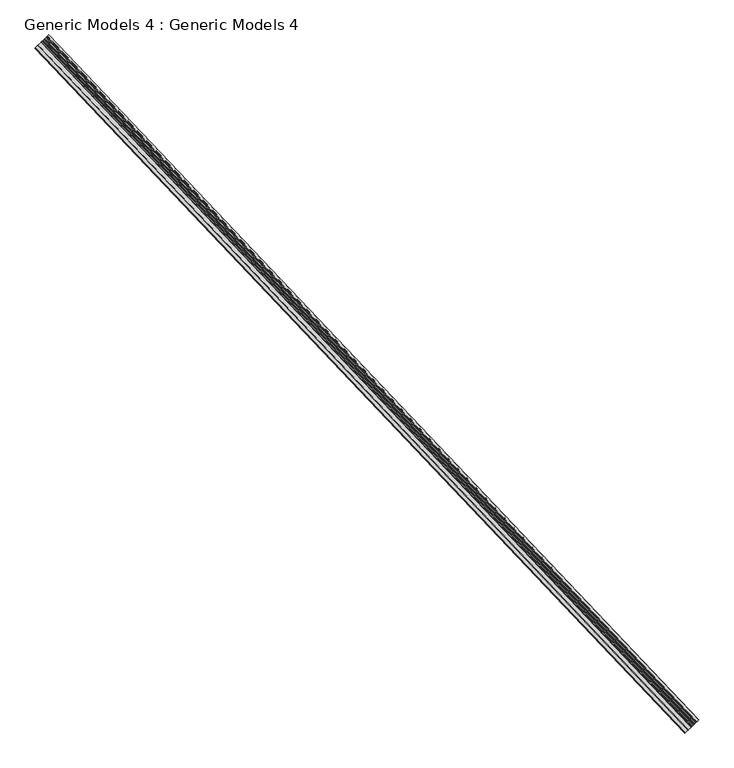
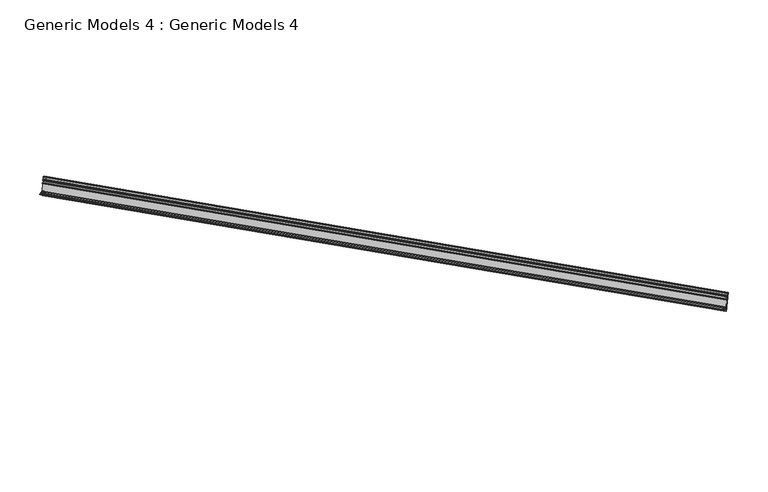
"""IFC4 building model written with IfcOpenShell, lengths in millimetres: proxy geometry, Generic Models 4 : Generic Models 4."""

from ifc_helpers import new_model, si_unit, point, frame, frame_2d, origin, place, context, project, spatial, polyline, circle_curve, trimmed, segment, composite_curve, outline, extrude, source, transform, mapped, element, save


def generic_models_4_generic_models_4_484d5e43(model_context):
    return source(origin(), model_context, "Body", "SweptSolid", [
        extrude(outline(polyline([(203.5056011, 24.6253), (203.505601, -4.2411123), (189.218101, -4.2411122), (189.218101, -2.6536122), (201.9181011, -2.6536122), (201.9181011, 23.0378), (-51.6128, 23.0378), (-51.6128, 24.6253), (203.5056011, 24.6253)])), frame((113649.3682773, 53904.5668059, 17390.9119048), z_axis=(-0.6883545756937418, 0.7253743710122992, 0.0), x_axis=(0.20797263071917257, 0.19735865739890973, 0.9580171946376779)), (0.0, 0.0, 1.0), 8832.85),
        extrude(outline(polyline([(-48.4377999, 19.05), (-48.4377999, 19.8627999), (-0.8127999, 19.8628), (-0.8127999, -101.6), (7.9375, -101.6), (7.9375, -102.4128), (-1.6256, -102.4128), (-1.6256, 19.05), (-48.4377999, 19.05)])), frame((113649.3682773, 53904.5668059, 17390.9119048), z_axis=(-0.6883545756937418, 0.7253743710122992, 0.0), x_axis=(0.20797263071917257, 0.19735865739890973, 0.9580171946376779)), (0.0, 0.0, 1.0), 8832.85),
        extrude(outline(composite_curve([segment(trimmed(circle_curve(frame_2d((147.6002994, -4.8497888)), 1.6752205), [point((149.2014817, -4.3572657))], [point((147.5622724, -3.175))], True, "CARTESIAN"), True, "CONTINUOUS"), segment(polyline([(147.5622724, -3.175), (119.9896001, -3.175), (119.9896, -20.6756), (130.1750001, -20.6756), (130.175, -25.4), (127.8128001, -23.0378), (117.6274, -23.0377999), (117.6274, -3.175), (13.6508637, -3.175), (13.6508637, -22.225), (22.225, -22.225), (22.2250001, -25.4), (15.8750001, -25.4), (15.875, -63.4936633), (0.0, -63.4936633), (1e-07, -56.9404633), (2.7686001, -56.9404633), (2.7686, -60.3186633), (12.7000001, -60.3186634), (12.7, -27.7622), (2.7686001, -27.7622), (2.7686, -31.1404), (0.0, -31.1403999), (0.0, -24.5872), (10.4758637, -24.5872), (10.4758637, -18.8636276)]), True, "CONTINUOUS"), segment(trimmed(circle_curve(frame_2d((6.1545902, -12.7382124)), 7.4962735), [point((10.4758637, -18.8636276))], [point((0.9653562, -18.1480152))], False, "CARTESIAN"), True, "CONTINUOUS"), segment(polyline([(0.9653562, -18.1480152), (3.3171112, -15.9977052)]), True, "CONTINUOUS"), segment(trimmed(circle_curve(frame_2d((6.1438166, -12.7)), 4.3434), [point((3.3171112, -15.9977052))], [point((3.3171111, -9.4022948))], True, "CARTESIAN"), True, "CONTINUOUS"), segment(trimmed(circle_curve(frame_2d((8.0375172, -2.1931024)), 8.617116), [point((3.3171111, -9.4022948))], [point((0.0, -5.3000312))], False, "CARTESIAN"), True, "CONTINUOUS"), segment(polyline([(0.0, -5.3000312), (0.0, 0.0), (147.6383265, 0.0)]), True, "CONTINUOUS"), segment(trimmed(circle_curve(frame_2d((147.6383265, 1.5747746)), 1.5747746), [point((147.6383265, 0.0))], [point((149.2131012, 1.5747746))], True, "CARTESIAN"), True, "CONTINUOUS"), segment(polyline([(149.2131012, 1.5747746), (149.2131012, 3.9642911)]), True, "CONTINUOUS"), segment(trimmed(circle_curve(frame_2d((150.7878757, 3.9642911)), 1.5747746), [point((149.2131012, 3.9642911))], [point((150.7878757, 5.5390658))], False, "CARTESIAN"), True, "CONTINUOUS"), segment(polyline([(150.7878757, 5.5390658), (164.3997866, 5.5390657)]), True, "CONTINUOUS"), segment(trimmed(circle_curve(frame_2d((164.3997866, 7.1265658)), 1.5875), [point((164.3997866, 5.5390657))], [point((165.9872866, 7.1265657))], True, "CARTESIAN"), True, "CONTINUOUS"), segment(polyline([(165.9872866, 7.1265657), (165.9872866, 12.8397001)]), True, "CONTINUOUS"), segment(trimmed(circle_curve(frame_2d((164.3997866, 12.8397)), 1.5875), [point((165.9872866, 12.8397001))], [point((164.3997866, 14.4272))], True, "CARTESIAN"), True, "CONTINUOUS"), segment(polyline([(164.3997866, 14.4272), (158.2584185, 14.4272)]), True, "CONTINUOUS"), segment(trimmed(circle_curve(frame_2d((158.2584185, 14.943655)), 0.516455), [point((158.2584185, 14.4272))], [point((158.2134066, 15.4581448))], False, "CARTESIAN"), True, "CONTINUOUS"), segment(polyline([(158.2134066, 15.4581448), (166.751, 15.9512), (166.751, 17.526), (160.872443, 18.0190552)]), True, "CONTINUOUS"), segment(trimmed(circle_curve(frame_2d((160.9174551, 18.533545)), 0.516455), [point((160.872443, 18.0190552))], [point((160.9174551, 19.05))], False, "CARTESIAN"), True, "CONTINUOUS"), segment(polyline([(160.9174551, 19.05), (167.5130001, 19.0499999)]), True, "CONTINUOUS"), segment(trimmed(circle_curve(frame_2d((167.5130001, 18.2879999)), 0.762), [point((167.5130001, 19.0499999))], [point((168.2750001, 18.288))], False, "CARTESIAN"), True, "CONTINUOUS"), segment(polyline([(168.2750001, 18.288), (168.2750001, 3.5543633), (166.2431072, 2.3812495), (201.5837184, 2.3812481), (201.5837182, -2.3812518), (166.2431091, -2.3812506), (168.2750001, -3.5543633), (168.275, -13.892315), (165.9872866, -14.6930147), (165.9872866, -13.8923151), (165.0237614, -13.892315)]), True, "CONTINUOUS"), segment(trimmed(circle_curve(frame_2d((165.0237614, -15.875)), 1.982685), [point((165.0237614, -13.892315))], [point((165.0237614, -17.857685))], True, "CARTESIAN"), True, "CONTINUOUS"), segment(polyline([(165.0237614, -17.857685), (165.9872866, -17.857685), (165.9872866, -17.0569853), (168.275, -17.8576849), (168.275, -25.4), (165.989, -25.4), (165.989, -21.4054015)]), True, "CONTINUOUS"), segment(trimmed(circle_curve(frame_2d((164.7190254, -21.4054016)), 1.2699746), [point((165.989, -21.4054015))], [point((164.7883493, -20.1373205))], True, "CARTESIAN"), True, "CONTINUOUS"), segment(trimmed(circle_curve(frame_2d((165.0213632, -15.875)), 4.268685), [point((164.7883493, -20.1373205))], [point((164.5765935, -11.6295494))], False, "CARTESIAN"), True, "CONTINUOUS"), segment(trimmed(circle_curve(frame_2d((164.412512, -10.0633463)), 1.5747746), [point((164.5765935, -11.6295494))], [point((165.9872866, -10.0633462))], True, "CARTESIAN"), True, "CONTINUOUS"), segment(polyline([(165.9872866, -10.0633462), (165.9872866, -7.1145255)]), True, "CONTINUOUS"), segment(trimmed(circle_curve(frame_2d((164.4118267, -7.1145255)), 1.5754599), [point((165.9872866, -7.1145255))], [point((164.4118268, -5.5390656))], True, "CARTESIAN"), True, "CONTINUOUS"), segment(polyline([(164.4118268, -5.5390656), (150.7644937, -5.5390657)]), True, "CONTINUOUS"), segment(trimmed(circle_curve(frame_2d((150.8020184, -3.8649412)), 1.6745451), [point((150.7644937, -5.5390657))], [point((149.2014817, -4.3572657))], False, "CARTESIAN"), True, "CONTINUOUS")], self_intersect=False)), frame((113649.3682773, 53904.5668059, 17390.9119048), z_axis=(-0.6883545756937418, 0.7253743710122992, 0.0), x_axis=(0.20797263071917257, 0.19735865739890973, 0.9580171946376779)), (0.0, 0.0, 1.0), 8832.85),
        extrude(outline(polyline([(1e-07, -2.7917359), (0.0, 0.0), (8832.8500001, 1e-07), (8832.8500001, -2.7917359), (1e-07, -2.7917359)])), frame((113679.3590358, 53933.026973, 17555.5631812), z_axis=(0.20797263071917252, 0.19735865739890973, 0.9580171946376779), x_axis=(-0.6883545756937415, 0.7253743710122996, 0.0)), (0.0, 0.0, 1.0), 30.0949136),
        extrude(outline(polyline([(0.0, -13.5678367), (0.0, 0.0), (8832.8499999, 1e-07), (8832.85, -13.5678367), (0.0, -13.5678367)])), frame((113669.038324, 53923.2329833, 17559.238488), z_axis=(0.20797263071917246, 0.19735865739890995, 0.9580171946376779), x_axis=(-0.6883545756937419, 0.7253743710122991, 0.0)), (0.0, 0.0, 1.0), 6.1145972),
    ])


if __name__ == "__main__":
    model = new_model("IFC4")
    model_context = context("Model", 3, world=origin())
    ifc_project = project(units=[si_unit("LENGTHUNIT", "METRE", prefix="MILLI")], contexts=[model_context])
    site = spatial("IfcSite", under=ifc_project)
    building = spatial("IfcBuilding", under=site)
    placement = place(None, origin())
    generic_models_4_generic_models_4_shape = generic_models_4_generic_models_4_484d5e43(model_context)
    element("IfcBuildingElementProxy", 1, Name="Generic Models 4 : Generic Models 4", ObjectType="Generic Models 4 : Generic Models 4", at=placement, inside=building, context=model_context, shape_type="MappedRepresentation", body=[
        mapped(generic_models_4_generic_models_4_shape, transform((0.0, 0.0, 0.0), x_axis=(1.0, 0.0, 0.0), y_axis=(0.0, 1.0, 0.0), z_axis=(0.0, 0.0, 1.0))),
    ])
    save(model, "model.ifc")
